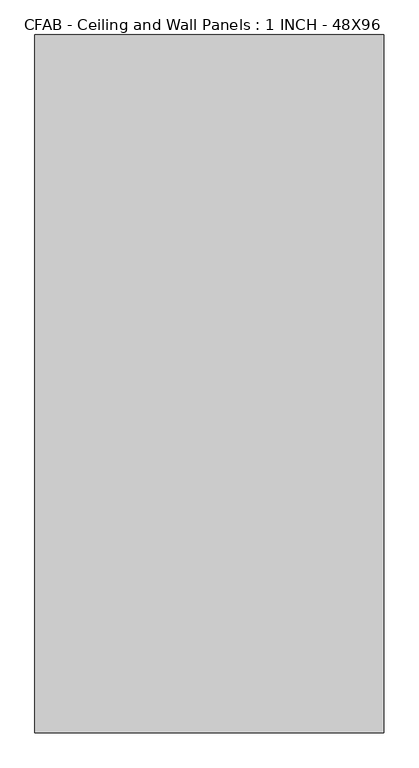
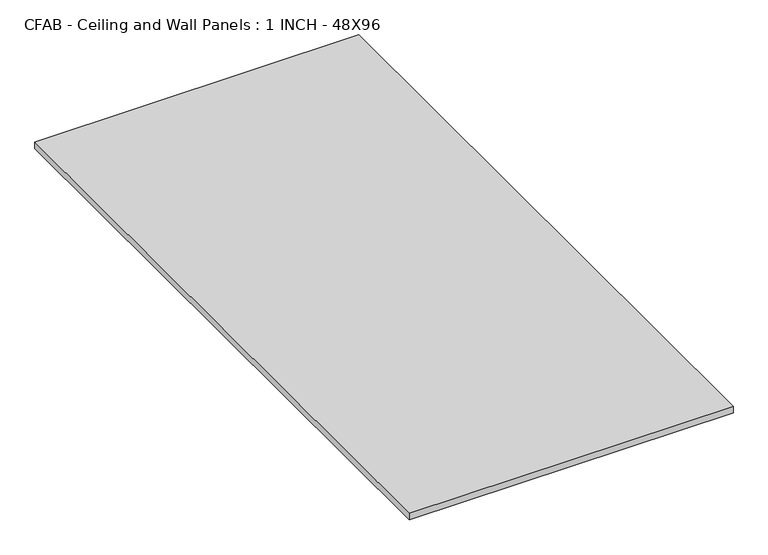
"""IFC4 building model written with IfcOpenShell, lengths in millimetres: proxy geometry, CFAB - Ceiling and Wall Panels : 1 INCH - 48X96."""

from ifc_helpers import new_model, si_unit, origin, origin_with_axes, place, context, project, spatial, polyline, outline, extrude, source, transform, mapped, element, save


def cfab_ceiling_and_wall_panels_1_inch_48x96_02040bcb(model_context):
    return source(origin(), model_context, "Body", "SweptSolid", [
        extrude(outline(polyline([(-609.6, 1219.2), (609.6, 1219.2), (609.6, -1219.2), (-609.6, -1219.2), (-609.6, 1219.2)])), origin_with_axes(), (0.0, 0.0, 1.0), 25.4),
    ])


if __name__ == "__main__":
    model = new_model("IFC4")
    model_context = context("Model", 3, world=origin())
    ifc_project = project(units=[si_unit("LENGTHUNIT", "METRE", prefix="MILLI")], contexts=[model_context])
    site = spatial("IfcSite", under=ifc_project)
    building = spatial("IfcBuilding", under=site)
    placement = place(None, origin())
    cfab_ceiling_and_wall_panels_1_inch_48x96_shape = cfab_ceiling_and_wall_panels_1_inch_48x96_02040bcb(model_context)
    element("IfcBuildingElementProxy", 1, Name="CFAB - Ceiling and Wall Panels : 1 INCH - 48X96", ObjectType="CFAB - Ceiling and Wall Panels : 1 INCH - 48X96", at=placement, inside=building, context=model_context, shape_type="MappedRepresentation", body=[
        mapped(cfab_ceiling_and_wall_panels_1_inch_48x96_shape, transform((0.0, 0.0, 0.0), x_axis=(1.0, 0.0, 0.0), y_axis=(0.0, 1.0, 0.0), z_axis=(0.0, 0.0, 1.0))),
    ])
    save(model, "model.ifc")
